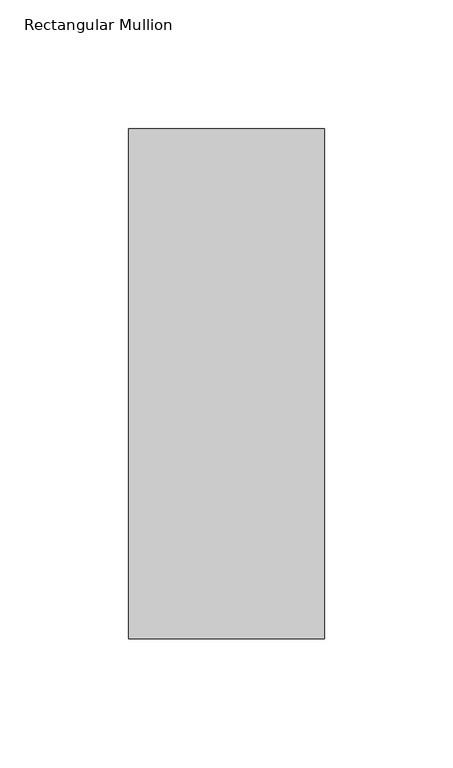
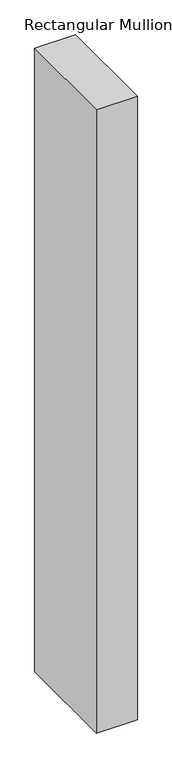
"""IFC4 building model written with IfcOpenShell, lengths in millimetres: member geometry, Rectangular Mullion."""

from ifc_helpers import new_model, si_unit, frame, origin, place, context, project, spatial, polyline, outline, extrude, source, transform, mapped, element, save


def rectangular_mullion_d991b03b(model_context):
    return source(origin(), model_context, "Body", "SweptSolid", [
        extrude(outline(polyline([(38.1, -156.36875), (-38.1, -156.36875), (-38.1, 42.06875), (38.1, 42.06875), (38.1, -156.36875)])), frame((0.0, 0.0, -1224.75625), z_axis=(0.0, 0.0, 1.0), x_axis=(1.0, 0.0, 0.0)), (0.0, 0.0, 1.0), 1224.75625),
    ])


if __name__ == "__main__":
    model = new_model("IFC4")
    model_context = context("Model", 3, world=origin())
    ifc_project = project(units=[si_unit("LENGTHUNIT", "METRE", prefix="MILLI")], contexts=[model_context])
    site = spatial("IfcSite", under=ifc_project)
    building = spatial("IfcBuilding", under=site)
    placement = place(None, origin())
    rectangular_mullion_shape = rectangular_mullion_d991b03b(model_context)
    element("IfcMember", 1, ObjectType="Rectangular Mullion", at=placement, inside=building, context=model_context, shape_type="MappedRepresentation", body=[
        mapped(rectangular_mullion_shape, transform((0.0, 0.0, 0.0), x_axis=(1.0, 0.0, 0.0), y_axis=(0.0, 1.0, 0.0), z_axis=(0.0, 0.0, 1.0))),
    ])
    save(model, "model.ifc")
